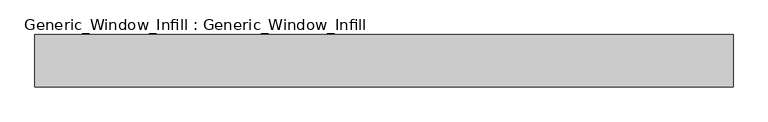
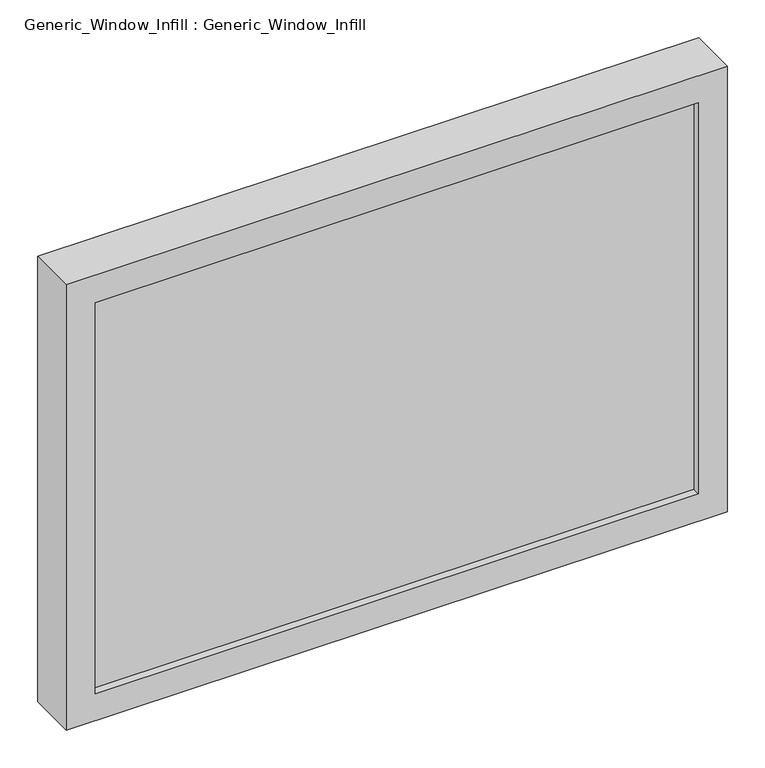
"""IFC4 building model written with IfcOpenShell, lengths in millimetres: plate geometry, Generic_Window_Infill : Generic_Window_Infill."""

import ifcopenshell
import ifcopenshell.guid

model = None  # the IFC model being written
_history = None  # IfcOwnerHistory: only IFC2X3 demands one
_inside = {}  # id of a spatial element -> (the spatial element, [elements in it])
_under = {}  # id of a project, library or spatial element -> (it, [spatial elements below it])
_declared = {}  # id of a project -> (the project, [libraries it declares])
_typed = {}  # id of a type object -> (the type object, [elements of that type])
_made_of = {}  # id of a material, layer set ... -> (it, [elements and type objects made of it])


def new_model(schema):
    """Start an empty IFC model of exactly this schema.

    Asked for "IFC4X3", IfcOpenShell would pick the latest addendum, in which some entities
    have other attributes; the version numbers below select the first issue.
    IFC2X3 requires an IfcOwnerHistory on every rooted entity: one is made here for all.
    """
    global model, _history
    if schema == "IFC4X3":
        model = ifcopenshell.file(schema_version=(4, 3, 0, 0))
    else:
        model = ifcopenshell.file(schema=schema)
    _inside.clear()
    _under.clear()
    _declared.clear()
    _typed.clear()
    _made_of.clear()
    _history = None
    if model.schema == "IFC2X3":
        org = make("IfcOrganization", Name="unknown")
        user = make(
            "IfcPersonAndOrganization",
            ThePerson=make("IfcPerson", FamilyName="unknown"),
            TheOrganization=org,
        )
        app = make(
            "IfcApplication",
            ApplicationDeveloper=org,
            Version="unknown",
            ApplicationFullName="unknown",
            ApplicationIdentifier="unknown",
        )
        _history = make(
            "IfcOwnerHistory",
            OwningUser=user,
            OwningApplication=app,
            ChangeAction="ADDED",
            CreationDate=0,
        )
    return model


def make(cls, **values):
    """One entity of the class cls with the attributes given. An attribute that is None is left unset."""
    return model.create_entity(
        cls, **{name: value for name, value in values.items() if value is not None}
    )


def rooted(cls, **values):
    """An entity with a GlobalId (a new one), such as an element, a storey or a relation."""
    return make(cls, GlobalId=ifcopenshell.guid.new(), OwnerHistory=_history, **values)


def si_unit(unit_type, name, prefix=None):
    """IfcSIUnit, for example si_unit("LENGTHUNIT", "METRE", prefix="MILLI")."""
    return make("IfcSIUnit", UnitType=unit_type, Prefix=prefix, Name=name)


def assignment(units):
    """IfcUnitAssignment: the units of a project."""
    return None if units is None else make("IfcUnitAssignment", Units=units)


def point(xyz):
    """IfcCartesianPoint."""
    return None if xyz is None else make("IfcCartesianPoint", Coordinates=xyz)


def direction(xyz):
    """IfcDirection."""
    return None if xyz is None else make("IfcDirection", DirectionRatios=xyz)


def frame(location, z_axis=None, x_axis=None):
    """IfcAxis2Placement3D, a coordinate frame: its origin and axes. An axis left out is left unset."""
    return make(
        "IfcAxis2Placement3D",
        Location=point(location),
        Axis=direction(z_axis),
        RefDirection=direction(x_axis),
    )


def origin():
    """The frame at (0, 0, 0) with its axes left unset."""
    return frame((0.0, 0.0, 0.0))


def place(relative_to, where):
    """IfcLocalPlacement: puts the frame where relative to a parent placement (None: the world)."""
    return make(
        "IfcLocalPlacement", PlacementRelTo=relative_to, RelativePlacement=where
    )


def context(
    kind, dimensions, precision=None, world=None, true_north=None, identifier=None
):
    """IfcGeometricRepresentationContext, for example the 3D "Model" context."""
    return make(
        "IfcGeometricRepresentationContext",
        ContextIdentifier=identifier,
        ContextType=kind,
        CoordinateSpaceDimension=dimensions,
        Precision=precision,
        WorldCoordinateSystem=world,
        TrueNorth=true_north,
    )


def project(units=None, contexts=None):
    """IfcProject with its units and contexts."""
    return rooted(
        "IfcProject",
        Name="project",
        RepresentationContexts=contexts,
        UnitsInContext=assignment(units),
    )


def spatial(cls, under=None, at=None, **own):
    """A site, building, storey or space (cls), placed at a placement, below another one or the project."""
    s = rooted(cls, ObjectPlacement=at, **own)
    if under is not None:
        _under.setdefault(under.id(), (under, []))[1].append(s)
    return s


def polyline(points):
    """IfcPolyline through the points."""
    return make("IfcPolyline", Points=[point(p) for p in points])


def outline(outer, holes=None, kind="AREA"):
    """IfcArbitraryClosedProfileDef: a profile drawn as a closed curve; with holes, ...WithVoids."""
    if holes is None:
        return make("IfcArbitraryClosedProfileDef", ProfileType=kind, OuterCurve=outer)
    return make(
        "IfcArbitraryProfileDefWithVoids",
        ProfileType=kind,
        OuterCurve=outer,
        InnerCurves=holes,
    )


def extrude(swept, where, along, depth):
    """IfcExtrudedAreaSolid: the profile swept, set in the frame where, extruded along a direction by depth."""
    return make(
        "IfcExtrudedAreaSolid",
        SweptArea=swept,
        Position=where,
        ExtrudedDirection=direction(along),
        Depth=depth,
    )


def shape(context_of_items, identifier, shape_type, items):
    """IfcShapeRepresentation: the items that make up one representation, for example the "Body"."""
    return make(
        "IfcShapeRepresentation",
        ContextOfItems=context_of_items,
        RepresentationIdentifier=identifier,
        RepresentationType=shape_type,
        Items=items,
    )


def source(mapping_origin, context_of_items, identifier, shape_type, items):
    """IfcRepresentationMap: a shape defined once, which mapped items show again and again."""
    return make(
        "IfcRepresentationMap",
        MappingOrigin=mapping_origin,
        MappedRepresentation=shape(context_of_items, identifier, shape_type, items),
    )


def transform(
    local_origin,
    x_axis=None,
    y_axis=None,
    z_axis=None,
    scale=None,
    scale2=None,
    scale3=None,
    uniform=True,
):
    """IfcCartesianTransformationOperator3D, or its non-uniform kind. x_axis, y_axis, z_axis: its Axis1, 2, 3."""
    if uniform:
        return make(
            "IfcCartesianTransformationOperator3D",
            Axis1=direction(x_axis),
            Axis2=direction(y_axis),
            LocalOrigin=point(local_origin),
            Scale=scale,
            Axis3=direction(z_axis),
        )
    return make(
        "IfcCartesianTransformationOperator3DnonUniform",
        Axis1=direction(x_axis),
        Axis2=direction(y_axis),
        LocalOrigin=point(local_origin),
        Scale=scale,
        Axis3=direction(z_axis),
        Scale2=scale2,
        Scale3=scale3,
    )


def mapped(mapping_source, mapping_target):
    """IfcMappedItem: shows the shape of a source again, moved by a transform."""
    return make(
        "IfcMappedItem", MappingSource=mapping_source, MappingTarget=mapping_target
    )


def made_of(thing, what):
    """Note that an element or type object is made of a material, layer set ...; save() writes the relation."""
    if what is not None:
        _made_of.setdefault(what.id(), (what, []))[1].append(thing)
    return thing


def element(
    cls,
    number,
    at=None,
    inside=None,
    cuts=None,
    type_object=None,
    material=None,
    context=None,
    identifier="Body",
    shape_type=None,
    held_by="IfcProductDefinitionShape",
    body=None,
    shapes=None,
    **own,
):
    """One element of the class cls, such as IfcWall. Its Tag is "e" and its number.

    at: its placement. inside: the storey or other place that contains it. cuts: it is an
    opening in that element (IfcRelVoidsElement). A single representation is given by context,
    identifier, shape_type and body (its items); several are given by shapes. held_by: the class
    of the entity that holds the representations. save() writes the other relations.
    """
    e = rooted(cls, Tag="e%d" % number, ObjectPlacement=at, **own)
    if body is not None:
        shapes = [shape(context, identifier, shape_type, body)]
    if shapes is not None:
        e.Representation = make(held_by, Representations=shapes)
    if inside is not None:
        _inside.setdefault(inside.id(), (inside, []))[1].append(e)
    if cuts is not None:
        rooted(
            "IfcRelVoidsElement", RelatingBuildingElement=cuts, RelatedOpeningElement=e
        )
    if type_object is not None:
        _typed.setdefault(type_object.id(), (type_object, []))[1].append(e)
    return made_of(e, material)


def aggregate(whole, parts):
    """IfcRelAggregates: a whole, such as a stair, and the parts it consists of."""
    return rooted("IfcRelAggregates", RelatingObject=whole, RelatedObjects=parts)


def save(model, path):
    """Write the relations noted so far, then the file.

    IfcRelAggregates (storeys below a building ...), IfcRelContainedInSpatialStructure (elements
    in a storey), IfcRelDefinesByType, IfcRelAssociatesMaterial and IfcRelDeclares: one each for
    every whole, place, type object, material and project.
    """
    for whole, parts in _under.values():
        aggregate(whole, parts)
    for where, things in _inside.values():
        rooted(
            "IfcRelContainedInSpatialStructure",
            RelatedElements=things,
            RelatingStructure=where,
        )
    for kind, things in _typed.values():
        rooted("IfcRelDefinesByType", RelatedObjects=things, RelatingType=kind)
    for what, things in _made_of.values():
        rooted("IfcRelAssociatesMaterial", RelatedObjects=things, RelatingMaterial=what)
    for by, libraries in _declared.values():
        rooted("IfcRelDeclares", RelatingContext=by, RelatedDefinitions=libraries)
    model.write(path)


def generic_window_infill_generic_window_infill_bc9df9e2(model_context):
    return source(origin(), model_context, "Body", "SweptSolid", [
        extrude(outline(polyline([(463.55, 12.0261239), (-463.55, 12.0261239), (-463.55, 42.4497356), (463.55, 42.4497356), (463.55, 12.0261239)])), frame((0.0, 0.0, 44.45), z_axis=(0.0, 0.0, 1.0), x_axis=(1.0, 0.0, 0.0)), (0.0, 0.0, 1.0), 635.0),
        extrude(outline(polyline([(723.9, 508.0), (723.9, -508.0), (0.0, -508.0), (0.0, 508.0), (723.9, 508.0)]), holes=[polyline([(44.45, 463.55), (44.45, -463.55), (679.45, -463.55), (679.45, 463.55), (44.45, 463.55)])]), frame((0.0, 0.0, 0.0), z_axis=(0.0, 1.0, 0.0), x_axis=(0.0, 0.0, 1.0)), (0.0, 0.0, 1.0), 76.2),
    ])


if __name__ == "__main__":
    model = new_model("IFC4")
    model_context = context("Model", 3, world=origin())
    ifc_project = project(units=[si_unit("LENGTHUNIT", "METRE", prefix="MILLI")], contexts=[model_context])
    site = spatial("IfcSite", under=ifc_project)
    building = spatial("IfcBuilding", under=site)
    placement = place(None, origin())
    generic_window_infill_generic_window_infill_shape = generic_window_infill_generic_window_infill_bc9df9e2(model_context)
    element("IfcPlate", 1, ObjectType="Generic_Window_Infill : Generic_Window_Infill", at=placement, inside=building, context=model_context, shape_type="MappedRepresentation", body=[
        mapped(generic_window_infill_generic_window_infill_shape, transform((0.0, 0.0, 0.0), x_axis=(1.0, 0.0, 0.0), y_axis=(0.0, 1.0, 0.0), z_axis=(0.0, 0.0, 1.0))),
    ])
    save(model, "model.ifc")
